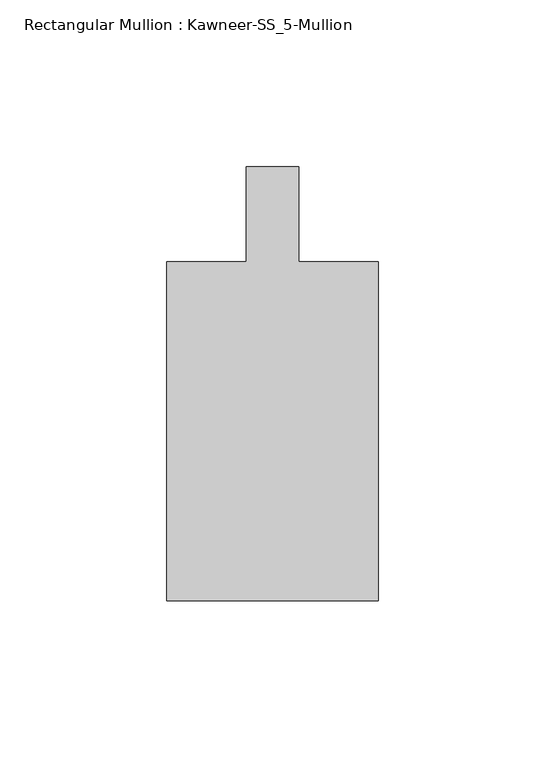
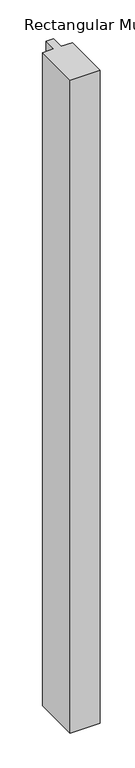
"""IFC4 building model written with IfcOpenShell, lengths in millimetres: member geometry, Rectangular Mullion : Kawneer-SS_5-Mullion."""

from ifc_helpers import new_model, si_unit, frame, origin, place, context, project, spatial, polyline, outline, extrude, source, transform, mapped, element, save


def rectangular_mullion_kawneer_ss_5_mullion_b040d198(model_context):
    return source(origin(), model_context, "Body", "SweptSolid", [
        extrude(outline(polyline([(-31.75, -115.8875), (-31.75, -14.2875), (-7.9375, -14.2875), (-7.9375, 14.2875), (7.9375, 14.2875), (7.9375, -14.2875), (31.75, -14.2875), (31.75, -115.8875), (-31.75, -115.8875)])), frame((0.0, 0.0, -1460.5), z_axis=(0.0, 0.0, 1.0), x_axis=(1.0, 0.0, 0.0)), (0.0, 0.0, 1.0), 1460.5),
    ])


if __name__ == "__main__":
    model = new_model("IFC4")
    model_context = context("Model", 3, world=origin())
    ifc_project = project(units=[si_unit("LENGTHUNIT", "METRE", prefix="MILLI")], contexts=[model_context])
    site = spatial("IfcSite", under=ifc_project)
    building = spatial("IfcBuilding", under=site)
    placement = place(None, origin())
    rectangular_mullion_kawneer_ss_5_mullion_shape = rectangular_mullion_kawneer_ss_5_mullion_b040d198(model_context)
    element("IfcMember", 1, ObjectType="Rectangular Mullion : Kawneer-SS_5-Mullion", at=placement, inside=building, context=model_context, shape_type="MappedRepresentation", body=[
        mapped(rectangular_mullion_kawneer_ss_5_mullion_shape, transform((0.0, 0.0, 0.0), x_axis=(1.0, 0.0, 0.0), y_axis=(0.0, 1.0, 0.0), z_axis=(0.0, 0.0, 1.0))),
    ])
    save(model, "model.ifc")
